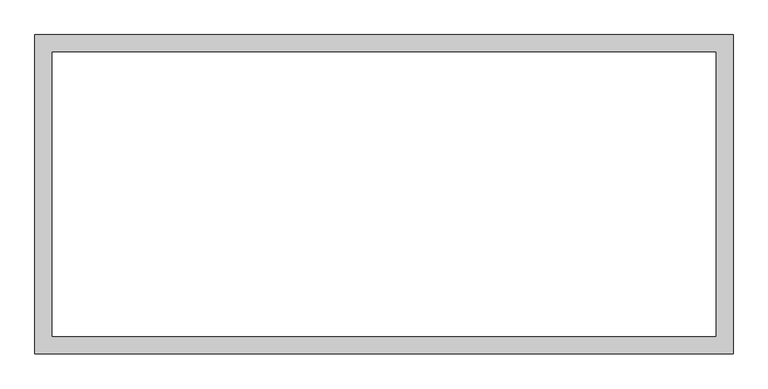
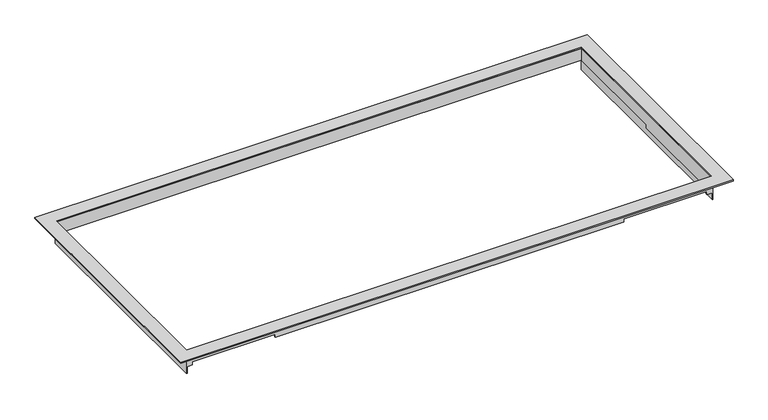
"""IFC4 building model written with IfcOpenShell, lengths in millimetres: proxy geometry."""

from ifc_helpers import new_model, si_unit, origin, origin_with_axes, place, context, project, spatial, polyline, outline, extrude, faceted_brep, source, transform, mapped, element, save


def generic_models_280d3ca5(model_context):
    return source(origin(), model_context, "Body", "SolidModel", [
        faceted_brep([(485.6607, 209.0928, -42.164), (485.6607, -209.29346, -42.164), (484.8733, -209.29346, -42.164), (484.8733, 209.0928, -42.164), (-485.6607, -209.29346, -42.164), (-485.6607, 209.0928, -42.164), (-484.1113, 209.0928, -42.164), (-484.1113, -209.29346, -42.164), (-485.6607, 209.0928, 0.0), (-485.6607, -209.29346, 0.0), (485.6607, -209.29346, 0.0), (485.6607, 209.0928, 0.0), (-484.1113, 207.6958, 0.0), (484.1113, 207.6958, 0.0), (484.1113, -207.6958, 0.0), (-484.1113, -207.6958, 0.0), (-484.1113, 207.6958, -23.0912164), (484.1113, 207.6958, -23.0912164), (484.1113, 0.0, -23.0912164), (484.1113, 0.0, -29.4412164), (484.1113, -207.6958, -29.4412164), (474.9204141, -207.6958, -29.4412164), (474.9204141, -207.6958, -23.0912164), (321.4217222, -207.6958, -23.0912164), (321.4217222, -207.6958, -29.4412164), (-321.4217222, -207.6958, -29.4412164), (-321.4217222, -207.6958, -23.0912164), (-474.9204141, -207.6958, -23.0912164), (-474.9204141, -207.6958, -29.4412164), (-484.1113, -207.6958, -29.4412164), (-484.1113, -209.29346, -29.4412164), (-484.1113, 209.0928, -23.0912164), (-474.9204141, -209.29346, -29.4412164), (-474.9204141, -209.29346, -23.0912164), (-321.4217222, -209.29346, -23.0912164), (-321.4217222, -209.29346, -29.4412164), (321.4217222, -209.29346, -29.4412164), (321.4217222, -209.29346, -23.0912164), (474.9204141, -209.29346, -23.0912164), (474.9204141, -209.29346, -29.4412164), (484.8733, -209.29346, -29.4412164), (484.8733, 209.0928, -23.0912164), (484.8733, 0.0, -23.0912164), (484.8733, 0.0, -29.4412164)], [[[0, 1, 2, 3]], [[4, 5, 6, 7]], [[8, 9, 10, 11], [12, 13, 14, 15]], [[13, 12, 16, 17]], [[14, 13, 17, 18, 19, 20]], [[15, 14, 20, 21, 22, 23, 24, 25, 26, 27, 28, 29]], [[12, 15, 29, 30, 7, 6, 31, 16]], [[5, 4, 9, 8]], [[10, 9, 4, 7, 30, 32, 33, 34, 35, 36, 37, 38, 39, 40, 2, 1]], [[1, 0, 11, 10]], [[8, 11, 0, 3, 41, 31, 6, 5]], [[18, 42, 43, 19]], [[42, 18, 17, 16, 31, 41]], [[42, 41, 3, 2, 40, 43]], [[26, 34, 33, 27]], [[27, 33, 32, 28]], [[30, 29, 28, 32]], [[43, 40, 39, 21, 20, 19]], [[21, 39, 38, 22]], [[22, 38, 37, 23]], [[23, 37, 36, 24]], [[24, 36, 35, 25]], [[34, 26, 25, 35]]]),
        extrude(outline(polyline([(-509.5113, 233.09326), (509.5113, 233.09326), (509.5113, -233.14406), (-509.5113, -233.14406), (-509.5113, 233.09326)]), holes=[polyline([(-484.1113, 207.6958), (-484.1113, -207.6958), (484.1113, -207.6958), (484.1113, 207.6958), (-484.1113, 207.6958)])]), origin_with_axes(), (0.0, 0.0, 1.0), 2.286),
    ])


if __name__ == "__main__":
    model = new_model("IFC4")
    model_context = context("Model", 3, world=origin())
    ifc_project = project(units=[si_unit("LENGTHUNIT", "METRE", prefix="MILLI")], contexts=[model_context])
    site = spatial("IfcSite", under=ifc_project)
    building = spatial("IfcBuilding", under=site)
    placement = place(None, origin())
    generic_models_shape = generic_models_280d3ca5(model_context)
    element("IfcBuildingElementProxy", 1, Name="Generic Models", at=placement, inside=building, context=model_context, shape_type="MappedRepresentation", body=[
        mapped(generic_models_shape, transform((0.0, 0.0, 0.0), x_axis=(1.0, 0.0, 0.0), y_axis=(0.0, 1.0, 0.0), z_axis=(0.0, 0.0, 1.0))),
    ])
    save(model, "model.ifc")
